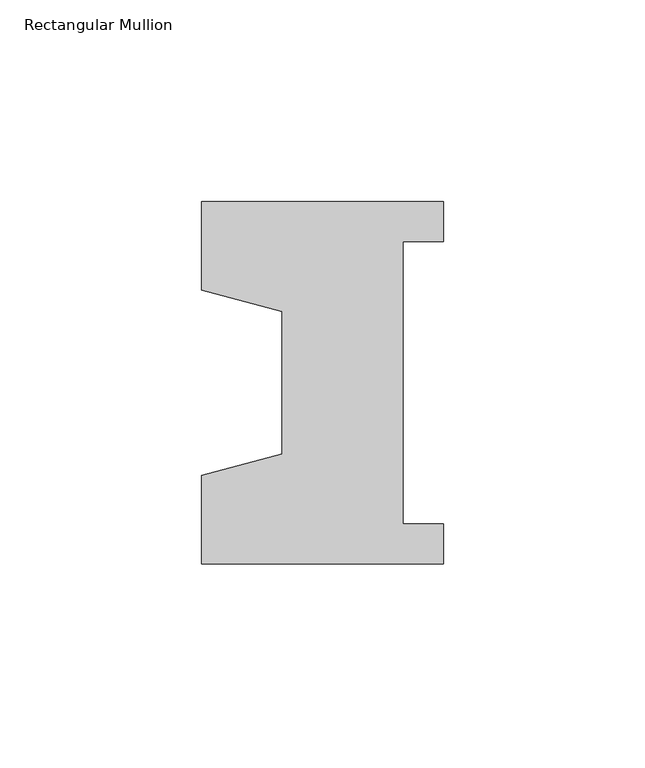
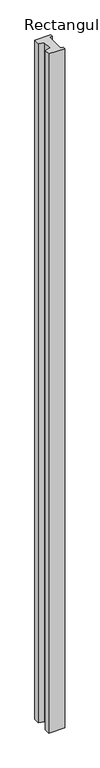
"""IFC4 building model written with IfcOpenShell, lengths in millimetres: member geometry, Rectangular Mullion."""

from ifc_helpers import new_model, si_unit, frame, origin, place, context, project, spatial, polyline, outline, extrude, source, transform, mapped, element, save


def rectangular_mullion_1cd32987(model_context):
    return source(origin(), model_context, "Body", "SweptSolid", [
        extrude(outline(polyline([(-60.0, 45.0), (0.0, 45.0), (0.0, 35.0), (-10.0, 35.0), (-10.0, -35.0), (0.0, -35.0), (0.0, -45.0), (-60.0, -45.0), (-60.0, -22.9993165), (-40.0, -17.6401049), (-40.0, 17.6401049), (-60.0, 22.9993165), (-60.0, 45.0)])), frame((0.0, 0.0, -2700.0), z_axis=(0.0, 0.0, 1.0), x_axis=(1.0, 0.0, 0.0)), (0.0, 0.0, 1.0), 2700.0),
    ])


if __name__ == "__main__":
    model = new_model("IFC4")
    model_context = context("Model", 3, world=origin())
    ifc_project = project(units=[si_unit("LENGTHUNIT", "METRE", prefix="MILLI")], contexts=[model_context])
    site = spatial("IfcSite", under=ifc_project)
    building = spatial("IfcBuilding", under=site)
    placement = place(None, origin())
    rectangular_mullion_shape = rectangular_mullion_1cd32987(model_context)
    element("IfcMember", 1, ObjectType="Rectangular Mullion", at=placement, inside=building, context=model_context, shape_type="MappedRepresentation", body=[
        mapped(rectangular_mullion_shape, transform((0.0, 0.0, 0.0), x_axis=(1.0, 0.0, 0.0), y_axis=(0.0, 1.0, 0.0), z_axis=(0.0, 0.0, 1.0))),
    ])
    save(model, "model.ifc")
